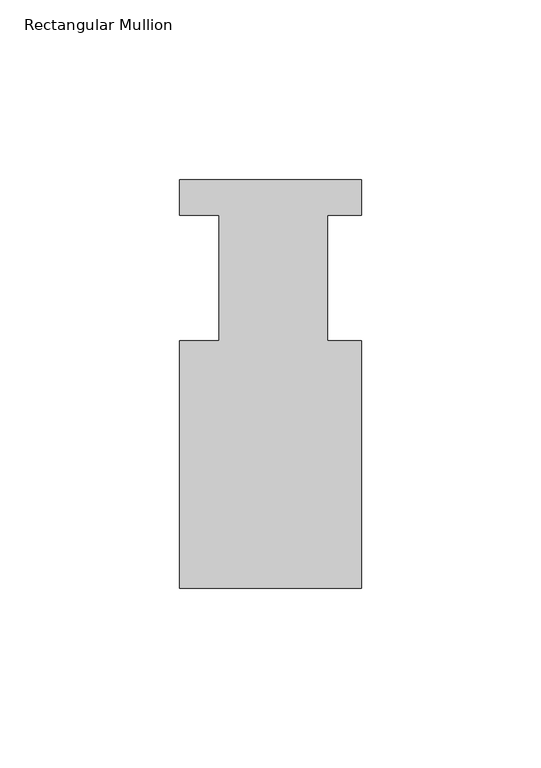
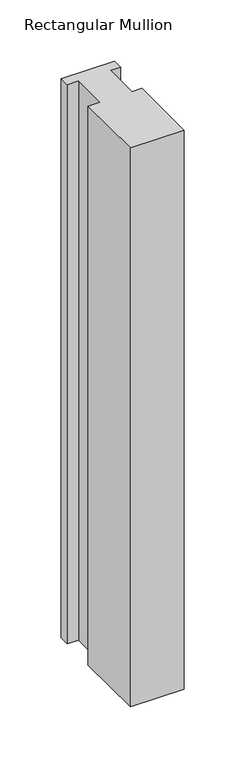
"""IFC4 building model written with IfcOpenShell, lengths in millimetres: member geometry, Rectangular Mullion."""

from ifc_helpers import new_model, si_unit, frame, origin, place, context, project, spatial, polyline, outline, extrude, source, transform, mapped, element, save


def rectangular_mullion_f4a6ed6b(model_context):
    return source(origin(), model_context, "Body", "SweptSolid", [
        extrude(outline(polyline([(0.0, 113.8189875), (0.0, 103.9129875), (-9.525, 103.9129875), (-9.525, 68.9625875), (0.0, 68.9625875), (0.0, 0.0269875), (-50.8, 0.0269875), (-50.8, 68.9879875), (-39.6875, 68.9879875), (-39.6875, 103.9129875), (-50.8, 103.9129875), (-50.8, 113.8189875), (0.0, 113.8189875)])), frame((0.0, 0.0, -558.8), z_axis=(0.0, 0.0, 1.0), x_axis=(1.0, 0.0, 0.0)), (0.0, 0.0, 1.0), 558.8),
    ])


if __name__ == "__main__":
    model = new_model("IFC4")
    model_context = context("Model", 3, world=origin())
    ifc_project = project(units=[si_unit("LENGTHUNIT", "METRE", prefix="MILLI")], contexts=[model_context])
    site = spatial("IfcSite", under=ifc_project)
    building = spatial("IfcBuilding", under=site)
    placement = place(None, origin())
    rectangular_mullion_shape = rectangular_mullion_f4a6ed6b(model_context)
    element("IfcMember", 1, ObjectType="Rectangular Mullion", at=placement, inside=building, context=model_context, shape_type="MappedRepresentation", body=[
        mapped(rectangular_mullion_shape, transform((0.0, 0.0, 0.0), x_axis=(1.0, 0.0, 0.0), y_axis=(0.0, 1.0, 0.0), z_axis=(0.0, 0.0, 1.0))),
    ])
    save(model, "model.ifc")
